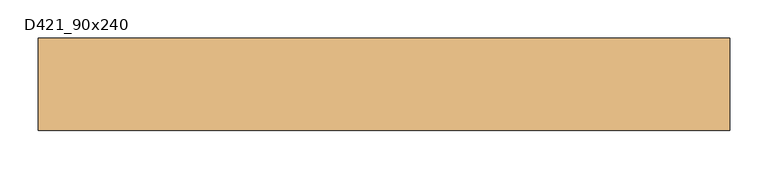
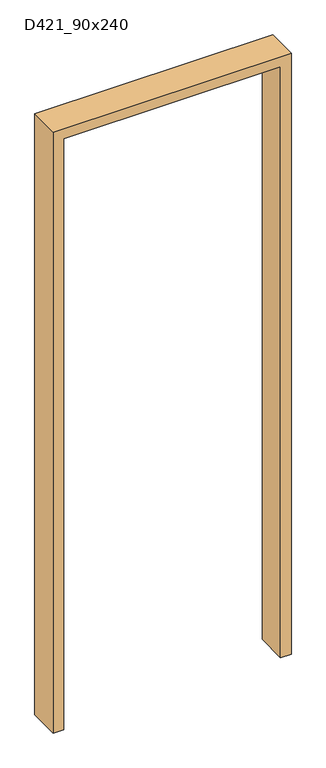
"""IFC4 building model written with IfcOpenShell, lengths in millimetres: door geometry, D421_90x240."""

from ifc_helpers import new_model, si_unit, frame, origin, place, context, project, spatial, polyline, outline, extrude, source, transform, mapped, element, save


def d421_90x240_d0b43ecd(model_context):
    return source(origin(), model_context, "Body", "SweptSolid", [
        extrude(outline(polyline([(0.0, -410.0), (2360.0, -410.0), (2360.0, 410.0), (0.0, 410.0), (0.0, 450.0), (2400.0, 450.0), (2400.0, -450.0), (0.0, -450.0), (0.0, -410.0)])), frame((0.0, -60.0, 0.0), z_axis=(0.0, 1.0, 0.0), x_axis=(0.0, 0.0, 1.0)), (0.0, 0.0, 1.0), 120.0),
    ])


if __name__ == "__main__":
    model = new_model("IFC4")
    model_context = context("Model", 3, world=origin())
    ifc_project = project(units=[si_unit("LENGTHUNIT", "METRE", prefix="MILLI")], contexts=[model_context])
    site = spatial("IfcSite", under=ifc_project)
    building = spatial("IfcBuilding", under=site)
    placement = place(None, origin())
    d421_90x240_shape = d421_90x240_d0b43ecd(model_context)
    element("IfcDoor", 1, ObjectType="D421_90x240", at=placement, inside=building, context=model_context, shape_type="MappedRepresentation", body=[
        mapped(d421_90x240_shape, transform((0.0, 0.0, 0.0), x_axis=(1.0, 0.0, 0.0), y_axis=(0.0, 1.0, 0.0), z_axis=(0.0, 0.0, 1.0))),
    ])
    save(model, "model.ifc")
